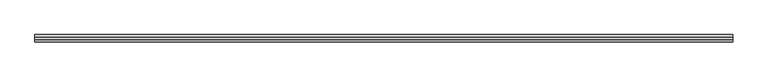
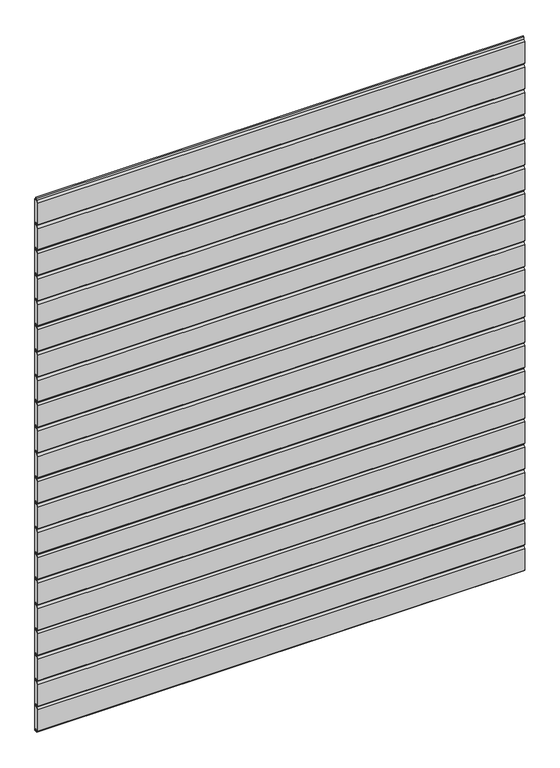
"""IFC4 building model written with IfcOpenShell, lengths in millimetres: plate geometry."""

from ifc_helpers import new_model, si_unit, frame, origin, place, context, project, spatial, polyline, outline, extrude, source, transform, mapped, element, save


def plate_d8001af4(model_context):
    return source(origin(), model_context, "Body", "SweptSolid", [
        extrude(outline(polyline([(0.0, 2200.0), (-7.5, 2200.0), (-7.5, 2210.0), (-13.5, 2210.0), (-13.5, 2200.0), (-21.0, 2207.5), (-21.0, 2300.5), (-13.5, 2308.0), (-13.5, 2318.0), (-7.5, 2318.0), (-7.5, 2308.0), (0.0, 2308.0), (0.0, 2200.0)])), frame((-1000.0, 0.0, 0.0), z_axis=(1.0, 0.0, 0.0), x_axis=(0.0, 1.0, 0.0)), (0.0, 0.0, 1.0), 2000.0),
        extrude(outline(polyline([(0.0, 2090.0), (-7.5, 2090.0), (-7.5, 2100.0), (-13.5, 2100.0), (-13.5, 2090.0), (-21.0, 2097.5), (-21.0, 2190.5), (-13.5, 2198.0), (-13.5, 2208.0), (-7.5, 2208.0), (-7.5, 2198.0), (0.0, 2198.0), (0.0, 2090.0)])), frame((-1000.0, 0.0, 0.0), z_axis=(1.0, 0.0, 0.0), x_axis=(0.0, 1.0, 0.0)), (0.0, 0.0, 1.0), 2000.0),
        extrude(outline(polyline([(0.0, 1980.0), (-7.5, 1980.0), (-7.5, 1990.0), (-13.5, 1990.0), (-13.5, 1980.0), (-21.0, 1987.5), (-21.0, 2080.5), (-13.5, 2088.0), (-13.5, 2098.0), (-7.5, 2098.0), (-7.5, 2088.0), (0.0, 2088.0), (0.0, 1980.0)])), frame((-1000.0, 0.0, 0.0), z_axis=(1.0, 0.0, 0.0), x_axis=(0.0, 1.0, 0.0)), (0.0, 0.0, 1.0), 2000.0),
        extrude(outline(polyline([(0.0, 1870.0), (-7.5, 1870.0), (-7.5, 1880.0), (-13.5, 1880.0), (-13.5, 1870.0), (-21.0, 1877.5), (-21.0, 1970.5), (-13.5, 1978.0), (-13.5, 1988.0), (-7.5, 1988.0), (-7.5, 1978.0), (0.0, 1978.0), (0.0, 1870.0)])), frame((-1000.0, 0.0, 0.0), z_axis=(1.0, 0.0, 0.0), x_axis=(0.0, 1.0, 0.0)), (0.0, 0.0, 1.0), 2000.0),
        extrude(outline(polyline([(0.0, 1760.0), (-7.5, 1760.0), (-7.5, 1770.0), (-13.5, 1770.0), (-13.5, 1760.0), (-21.0, 1767.5), (-21.0, 1860.5), (-13.5, 1868.0), (-13.5, 1878.0), (-7.5, 1878.0), (-7.5, 1868.0), (0.0, 1868.0), (0.0, 1760.0)])), frame((-1000.0, 0.0, 0.0), z_axis=(1.0, 0.0, 0.0), x_axis=(0.0, 1.0, 0.0)), (0.0, 0.0, 1.0), 2000.0),
        extrude(outline(polyline([(0.0, 1650.0), (-7.5, 1650.0), (-7.5, 1660.0), (-13.5, 1660.0), (-13.5, 1650.0), (-21.0, 1657.5), (-21.0, 1750.5), (-13.5, 1758.0), (-13.5, 1768.0), (-7.5, 1768.0), (-7.5, 1758.0), (0.0, 1758.0), (0.0, 1650.0)])), frame((-1000.0, 0.0, 0.0), z_axis=(1.0, 0.0, 0.0), x_axis=(0.0, 1.0, 0.0)), (0.0, 0.0, 1.0), 2000.0),
        extrude(outline(polyline([(0.0, 1540.0), (-7.5, 1540.0), (-7.5, 1550.0), (-13.5, 1550.0), (-13.5, 1540.0), (-21.0, 1547.5), (-21.0, 1640.5), (-13.5, 1648.0), (-13.5, 1658.0), (-7.5, 1658.0), (-7.5, 1648.0), (0.0, 1648.0), (0.0, 1540.0)])), frame((-1000.0, 0.0, 0.0), z_axis=(1.0, 0.0, 0.0), x_axis=(0.0, 1.0, 0.0)), (0.0, 0.0, 1.0), 2000.0),
        extrude(outline(polyline([(0.0, 1430.0), (-7.5, 1430.0), (-7.5, 1440.0), (-13.5, 1440.0), (-13.5, 1430.0), (-21.0, 1437.5), (-21.0, 1530.5), (-13.5, 1538.0), (-13.5, 1548.0), (-7.5, 1548.0), (-7.5, 1538.0), (0.0, 1538.0), (0.0, 1430.0)])), frame((-1000.0, 0.0, 0.0), z_axis=(1.0, 0.0, 0.0), x_axis=(0.0, 1.0, 0.0)), (0.0, 0.0, 1.0), 2000.0),
        extrude(outline(polyline([(0.0, 1320.0), (-7.5, 1320.0), (-7.5, 1330.0), (-13.5, 1330.0), (-13.5, 1320.0), (-21.0, 1327.5), (-21.0, 1420.5), (-13.5, 1428.0), (-13.5, 1438.0), (-7.5, 1438.0), (-7.5, 1428.0), (0.0, 1428.0), (0.0, 1320.0)])), frame((-1000.0, 0.0, 0.0), z_axis=(1.0, 0.0, 0.0), x_axis=(0.0, 1.0, 0.0)), (0.0, 0.0, 1.0), 2000.0),
        extrude(outline(polyline([(0.0, 1210.0), (-7.5, 1210.0), (-7.5, 1220.0), (-13.5, 1220.0), (-13.5, 1210.0), (-21.0, 1217.5), (-21.0, 1310.5), (-13.5, 1318.0), (-13.5, 1328.0), (-7.5, 1328.0), (-7.5, 1318.0), (0.0, 1318.0), (0.0, 1210.0)])), frame((-1000.0, 0.0, 0.0), z_axis=(1.0, 0.0, 0.0), x_axis=(0.0, 1.0, 0.0)), (0.0, 0.0, 1.0), 2000.0),
        extrude(outline(polyline([(0.0, 1100.0), (-7.5, 1100.0), (-7.5, 1110.0), (-13.5, 1110.0), (-13.5, 1100.0), (-21.0, 1107.5), (-21.0, 1200.5), (-13.5, 1208.0), (-13.5, 1218.0), (-7.5, 1218.0), (-7.5, 1208.0), (0.0, 1208.0), (0.0, 1100.0)])), frame((-1000.0, 0.0, 0.0), z_axis=(1.0, 0.0, 0.0), x_axis=(0.0, 1.0, 0.0)), (0.0, 0.0, 1.0), 2000.0),
        extrude(outline(polyline([(0.0, 990.0), (-7.5, 990.0), (-7.5, 1000.0), (-13.5, 1000.0), (-13.5, 990.0), (-21.0, 997.5), (-21.0, 1090.5), (-13.5, 1098.0), (-13.5, 1108.0), (-7.5, 1108.0), (-7.5, 1098.0), (0.0, 1098.0), (0.0, 990.0)])), frame((-1000.0, 0.0, 0.0), z_axis=(1.0, 0.0, 0.0), x_axis=(0.0, 1.0, 0.0)), (0.0, 0.0, 1.0), 2000.0),
        extrude(outline(polyline([(0.0, 880.0), (-7.5, 880.0), (-7.5, 890.0), (-13.5, 890.0), (-13.5, 880.0), (-21.0, 887.5), (-21.0, 980.5), (-13.5, 988.0), (-13.5, 998.0), (-7.5, 998.0), (-7.5, 988.0), (0.0, 988.0), (0.0, 880.0)])), frame((-1000.0, 0.0, 0.0), z_axis=(1.0, 0.0, 0.0), x_axis=(0.0, 1.0, 0.0)), (0.0, 0.0, 1.0), 2000.0),
        extrude(outline(polyline([(0.0, 770.0), (-7.5, 770.0), (-7.5, 780.0), (-13.5, 780.0), (-13.5, 770.0), (-21.0, 777.5), (-21.0, 870.5), (-13.5, 878.0), (-13.5, 888.0), (-7.5, 888.0), (-7.5, 878.0), (0.0, 878.0), (0.0, 770.0)])), frame((-1000.0, 0.0, 0.0), z_axis=(1.0, 0.0, 0.0), x_axis=(0.0, 1.0, 0.0)), (0.0, 0.0, 1.0), 2000.0),
        extrude(outline(polyline([(0.0, 660.0), (-7.5, 660.0), (-7.5, 670.0), (-13.5, 670.0), (-13.5, 660.0), (-21.0, 667.5), (-21.0, 760.5), (-13.5, 768.0), (-13.5, 778.0), (-7.5, 778.0), (-7.5, 768.0), (0.0, 768.0), (0.0, 660.0)])), frame((-1000.0, 0.0, 0.0), z_axis=(1.0, 0.0, 0.0), x_axis=(0.0, 1.0, 0.0)), (0.0, 0.0, 1.0), 2000.0),
        extrude(outline(polyline([(0.0, 550.0), (-7.5, 550.0), (-7.5, 560.0), (-13.5, 560.0), (-13.5, 550.0), (-21.0, 557.5), (-21.0, 650.5), (-13.5, 658.0), (-13.5, 668.0), (-7.5, 668.0), (-7.5, 658.0), (0.0, 658.0), (0.0, 550.0)])), frame((-1000.0, 0.0, 0.0), z_axis=(1.0, 0.0, 0.0), x_axis=(0.0, 1.0, 0.0)), (0.0, 0.0, 1.0), 2000.0),
        extrude(outline(polyline([(0.0, 440.0), (-7.5, 440.0), (-7.5, 450.0), (-13.5, 450.0), (-13.5, 440.0), (-21.0, 447.5), (-21.0, 540.5), (-13.5, 548.0), (-13.5, 558.0), (-7.5, 558.0), (-7.5, 548.0), (0.0, 548.0), (0.0, 440.0)])), frame((-1000.0, 0.0, 0.0), z_axis=(1.0, 0.0, 0.0), x_axis=(0.0, 1.0, 0.0)), (0.0, 0.0, 1.0), 2000.0),
        extrude(outline(polyline([(0.0, 330.0), (-7.5, 330.0), (-7.5, 340.0), (-13.5, 340.0), (-13.5, 330.0), (-21.0, 337.5), (-21.0, 430.5), (-13.5, 438.0), (-13.5, 448.0), (-7.5, 448.0), (-7.5, 438.0), (0.0, 438.0), (0.0, 330.0)])), frame((-1000.0, 0.0, 0.0), z_axis=(1.0, 0.0, 0.0), x_axis=(0.0, 1.0, 0.0)), (0.0, 0.0, 1.0), 2000.0),
        extrude(outline(polyline([(0.0, 220.0), (-7.5, 220.0), (-7.5, 230.0), (-13.5, 230.0), (-13.5, 220.0), (-21.0, 227.5), (-21.0, 320.5), (-13.5, 328.0), (-13.5, 338.0), (-7.5, 338.0), (-7.5, 328.0), (0.0, 328.0), (0.0, 220.0)])), frame((-1000.0, 0.0, 0.0), z_axis=(1.0, 0.0, 0.0), x_axis=(0.0, 1.0, 0.0)), (0.0, 0.0, 1.0), 2000.0),
        extrude(outline(polyline([(0.0, 110.0), (-7.5, 110.0), (-7.5, 120.0), (-13.5, 120.0), (-13.5, 110.0), (-21.0, 117.5), (-21.0, 210.5), (-13.5, 218.0), (-13.5, 228.0), (-7.5, 228.0), (-7.5, 218.0), (0.0, 218.0), (0.0, 110.0)])), frame((-1000.0, 0.0, 0.0), z_axis=(1.0, 0.0, 0.0), x_axis=(0.0, 1.0, 0.0)), (0.0, 0.0, 1.0), 2000.0),
        extrude(outline(polyline([(0.0, 0.0), (-7.5, 0.0), (-7.5, 10.0), (-13.5, 10.0), (-13.5, 0.0), (-21.0, 7.5), (-21.0, 100.5), (-13.5, 108.0), (-13.5, 118.0), (-7.5, 118.0), (-7.5, 108.0), (0.0, 108.0), (0.0, 0.0)])), frame((-1000.0, 0.0, 0.0), z_axis=(1.0, 0.0, 0.0), x_axis=(0.0, 1.0, 0.0)), (0.0, 0.0, 1.0), 2000.0),
    ])


if __name__ == "__main__":
    model = new_model("IFC4")
    model_context = context("Model", 3, world=origin())
    ifc_project = project(units=[si_unit("LENGTHUNIT", "METRE", prefix="MILLI")], contexts=[model_context])
    site = spatial("IfcSite", under=ifc_project)
    building = spatial("IfcBuilding", under=site)
    placement = place(None, origin())
    plate_shape = plate_d8001af4(model_context)
    element("IfcPlate", 1, at=placement, inside=building, context=model_context, shape_type="MappedRepresentation", body=[
        mapped(plate_shape, transform((0.0, 0.0, 0.0), x_axis=(1.0, 0.0, 0.0), y_axis=(0.0, 1.0, 0.0), z_axis=(0.0, 0.0, 1.0))),
    ])
    save(model, "model.ifc")
